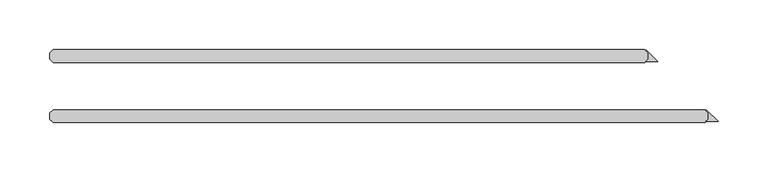
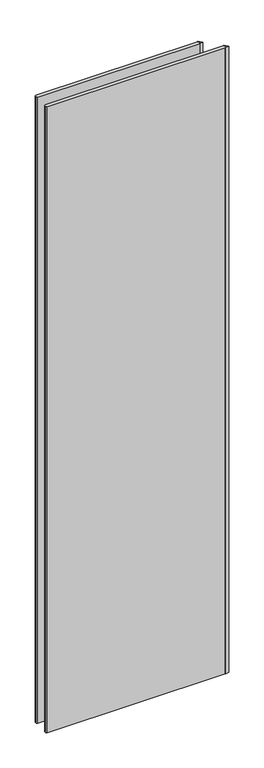
"""IFC4 building model written with IfcOpenShell, lengths in millimetres: plate geometry."""

from ifc_helpers import new_model, si_unit, origin, origin_with_axes, place, context, project, spatial, polyline, outline, extrude, source, transform, mapped, element, save


def plate_cdcbc2d3(model_context):
    return source(origin(), model_context, "Body", "SweptSolid", [
        extrude(outline(polyline([(282.643093, 26.9875), (282.643093, 33.3375), (280.2196039, 35.7609891), (280.7808699, 36.3222551), (292.496875, 24.60625), (280.261843, 24.60625), (282.643093, 26.9875)])), origin_with_axes(), (0.0, 0.0, 1.0), 2428.7789267),
        extrude(outline(polyline([(342.968093, -33.3375), (342.968093, -26.9875), (340.5446039, -24.5640109), (341.1058699, -24.0027449), (352.821875, -35.71875), (340.586843, -35.71875), (342.968093, -33.3375)])), origin_with_axes(), (0.0, 0.0, 1.0), 2428.7789267),
        extrude(outline(polyline([(279.468093, 23.8125), (-313.928125, 23.8125), (-317.103125, 26.9875), (-317.103125, 33.3375), (-313.928125, 36.5125), (279.468093, 36.5125), (282.643093, 33.3375), (282.643093, 26.9875), (279.468093, 23.8125)])), origin_with_axes(), (0.0, 0.0, 1.0), 2428.7789267),
        extrude(outline(polyline([(339.793093, -36.5125), (-313.928125, -36.5125), (-317.103125, -33.3375), (-317.103125, -26.9875), (-313.928125, -23.8125), (339.793093, -23.8125), (342.968093, -26.9875), (342.968093, -33.3375), (339.793093, -36.5125)])), origin_with_axes(), (0.0, 0.0, 1.0), 2428.7789267),
    ])


if __name__ == "__main__":
    model = new_model("IFC4")
    model_context = context("Model", 3, world=origin())
    ifc_project = project(units=[si_unit("LENGTHUNIT", "METRE", prefix="MILLI")], contexts=[model_context])
    site = spatial("IfcSite", under=ifc_project)
    building = spatial("IfcBuilding", under=site)
    placement = place(None, origin())
    plate_shape = plate_cdcbc2d3(model_context)
    element("IfcPlate", 1, at=placement, inside=building, context=model_context, shape_type="MappedRepresentation", body=[
        mapped(plate_shape, transform((0.0, 0.0, 0.0), x_axis=(1.0, 0.0, 0.0), y_axis=(0.0, 1.0, 0.0), z_axis=(0.0, 0.0, 1.0))),
    ])
    save(model, "model.ifc")
